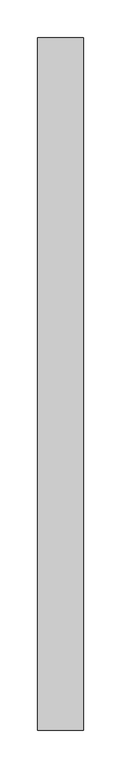
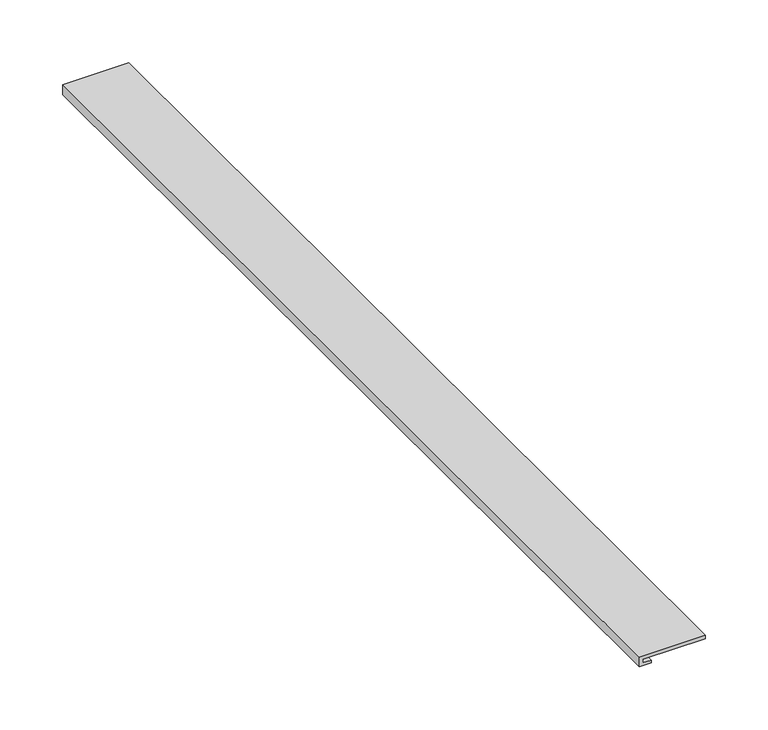
"""IFC4 building model written with IfcOpenShell, lengths in millimetres: proxy geometry."""

from ifc_helpers import new_model, si_unit, frame, origin, place, context, project, spatial, polyline, outline, extrude, source, transform, mapped, element, save


def generic_models_de131771(model_context):
    return source(origin(), model_context, "Body", "SweptSolid", [
        extrude(outline(polyline([(2967.1948924, 37652.8546327), (2970.6422505, 37652.8546327), (2970.6422505, 37710.0046327), (2973.8667168, 37710.0046327), (2973.8667168, 37649.541546), (2964.3008001, 37649.541546), (2964.3008001, 37660.5748575), (2967.1948924, 37660.5748575), (2967.1948924, 37652.8546327)])), frame((0.0, -19576.8264268, 0.0), z_axis=(0.0, 1.0, 0.0), x_axis=(0.0, 0.0, 1.0)), (0.0, 0.0, 1.0), 914.4),
    ])


if __name__ == "__main__":
    model = new_model("IFC4")
    model_context = context("Model", 3, world=origin())
    ifc_project = project(units=[si_unit("LENGTHUNIT", "METRE", prefix="MILLI")], contexts=[model_context])
    site = spatial("IfcSite", under=ifc_project)
    building = spatial("IfcBuilding", under=site)
    placement = place(None, origin())
    generic_models_shape = generic_models_de131771(model_context)
    element("IfcBuildingElementProxy", 1, Name="Generic Models", at=placement, inside=building, context=model_context, shape_type="MappedRepresentation", body=[
        mapped(generic_models_shape, transform((0.0, 0.0, 0.0), x_axis=(1.0, 0.0, 0.0), y_axis=(0.0, 1.0, 0.0), z_axis=(0.0, 0.0, 1.0))),
    ])
    save(model, "model.ifc")
